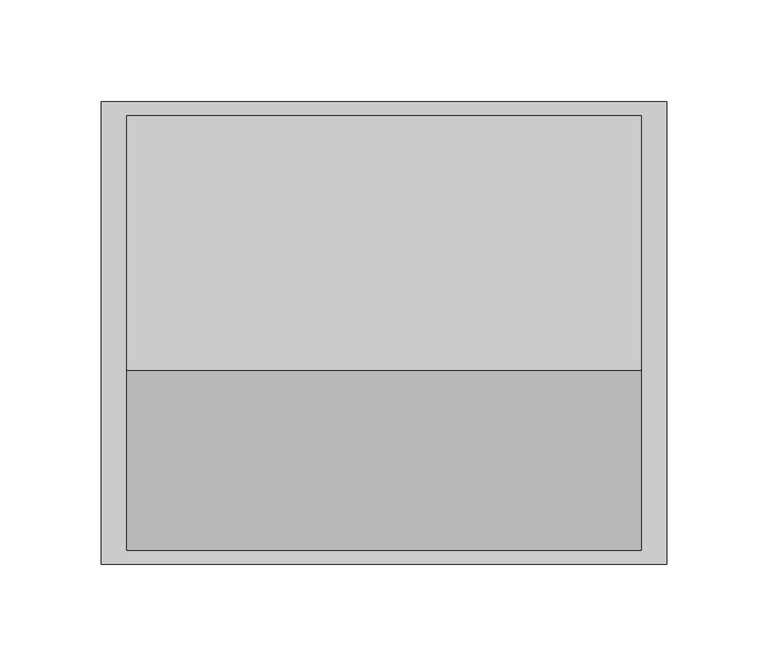
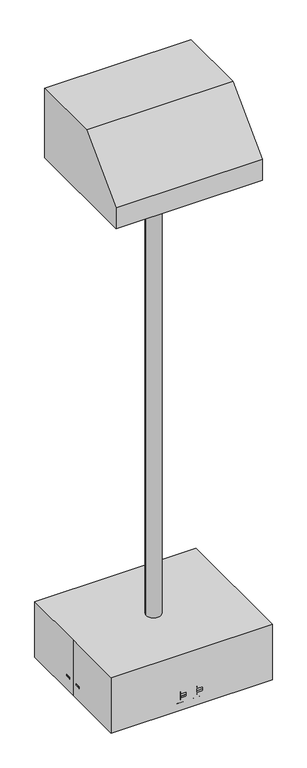
"""IFC4 building model written with IfcOpenShell, lengths in millimetres: proxy geometry."""

from ifc_helpers import new_model, si_unit, point, frame, frame_2d, origin, origin_with_axes, origin_2d, place, context, project, spatial, polyline, circle_curve, trimmed, segment, composite_curve, outline, extrude, source, transform, mapped, element, save


def specialty_equipment_e29da580(model_context):
    return source(origin(), model_context, "Body", "SweptSolid", [
        extrude(outline(polyline([(9.525, 105.8333333), (9.525, 9.525), (131.2333333, 9.525), (131.2333333, -9.525), (9.525, -9.525), (9.525, -105.8333333), (-9.525, -105.8333333), (-9.525, -9.525), (-131.2333333, -9.525), (-131.2333333, 9.525), (-9.525, 9.525), (-9.525, 105.8333333), (9.525, 105.8333333)])), frame((0.0, 0.0, 50.8), z_axis=(0.0, 0.0, 1.0), x_axis=(1.0, 0.0, 0.0)), (0.0, 0.0, 1.0), 6.35),
        extrude(outline(composite_curve([segment(trimmed(circle_curve(frame_2d((0.0, 80.4333333)), 8.4666667), [point((-8.4666667, 80.4333333))], [point((8.4666667, 80.4333333))], False, "CARTESIAN"), True, "CONTINUOUS"), segment(trimmed(circle_curve(frame_2d((0.0, 80.4333333)), 8.4666667), [point((8.4666667, 80.4333333))], [point((-8.4666667, 80.4333333))], False, "CARTESIAN"), True, "CONTINUOUS")], self_intersect=False)), frame((0.0, 0.0, 25.4), z_axis=(0.0, 0.0, 1.0), x_axis=(1.0, 0.0, 0.0)), (0.0, 0.0, 1.0), 25.4),
        extrude(outline(composite_curve([segment(trimmed(circle_curve(frame_2d((-105.8333333, 0.0)), 8.4666667), [point((-105.8333333, -8.4666667))], [point((-105.8333333, 8.4666667))], False, "CARTESIAN"), True, "CONTINUOUS"), segment(trimmed(circle_curve(frame_2d((-105.8333333, 0.0)), 8.4666667), [point((-105.8333333, 8.4666667))], [point((-105.8333333, -8.4666667))], False, "CARTESIAN"), True, "CONTINUOUS")], self_intersect=False)), frame((0.0, 0.0, 25.4), z_axis=(0.0, 0.0, 1.0), x_axis=(1.0, 0.0, 0.0)), (0.0, 0.0, 1.0), 25.4),
        extrude(outline(composite_curve([segment(trimmed(circle_curve(frame_2d((0.0, -80.4333333)), 8.4666667), [point((8.4666667, -80.4333333))], [point((-8.4666667, -80.4333333))], False, "CARTESIAN"), True, "CONTINUOUS"), segment(trimmed(circle_curve(frame_2d((0.0, -80.4333333)), 8.4666667), [point((-8.4666667, -80.4333333))], [point((8.4666667, -80.4333333))], False, "CARTESIAN"), True, "CONTINUOUS")], self_intersect=False)), frame((0.0, 0.0, 25.4), z_axis=(0.0, 0.0, 1.0), x_axis=(1.0, 0.0, 0.0)), (0.0, 0.0, 1.0), 25.4),
        extrude(outline(composite_curve([segment(trimmed(circle_curve(frame_2d((105.8333333, 0.0)), 8.4666667), [point((105.8333333, 8.4666667))], [point((105.8333333, -8.4666667))], False, "CARTESIAN"), True, "CONTINUOUS"), segment(trimmed(circle_curve(frame_2d((105.8333333, 0.0)), 8.4666667), [point((105.8333333, -8.4666667))], [point((105.8333333, 8.4666667))], False, "CARTESIAN"), True, "CONTINUOUS")], self_intersect=False)), frame((0.0, 0.0, 25.4), z_axis=(0.0, 0.0, 1.0), x_axis=(1.0, 0.0, 0.0)), (0.0, 0.0, 1.0), 25.4),
        extrude(outline(polyline([(107.1804381, 914.4), (-107.4815465, 914.4), (-107.4815465, 952.5), (-18.5815465, 1041.4), (107.1804381, 1041.4), (107.1804381, 914.4)])), frame((-127.0, 0.0, 0.0), z_axis=(1.0, 0.0, 0.0), x_axis=(0.0, 1.0, 0.0)), (0.0, 0.0, 1.0), 254.0),
        extrude(outline(composite_curve([segment(trimmed(circle_curve(frame_2d((25.4, -114.3)), 25.4), [point((25.4, -139.7))], [point((25.4, -88.9))], False, "CARTESIAN"), True, "CONTINUOUS"), segment(trimmed(circle_curve(frame_2d((25.4, -114.3)), 25.4), [point((25.4, -88.9))], [point((25.4, -139.7))], False, "CARTESIAN"), True, "CONTINUOUS")], self_intersect=False)), frame((0.0, 9.525, 0.0), z_axis=(0.0, 1.0, 0.0), x_axis=(0.0, 0.0, 1.0)), (0.0, 0.0, 1.0), 9.525),
        extrude(outline(composite_curve([segment(trimmed(circle_curve(frame_2d((25.4, -114.3)), 25.4), [point((25.4, -88.9))], [point((25.4, -139.7))], False, "CARTESIAN"), True, "CONTINUOUS"), segment(trimmed(circle_curve(frame_2d((25.4, -114.3)), 25.4), [point((25.4, -139.7))], [point((25.4, -88.9))], False, "CARTESIAN"), True, "CONTINUOUS")], self_intersect=False)), frame((0.0, -19.05, 0.0), z_axis=(0.0, 1.0, 0.0), x_axis=(0.0, 0.0, 1.0)), (0.0, 0.0, 1.0), 9.525),
        extrude(outline(composite_curve([segment(trimmed(circle_curve(frame_2d((88.9, 25.4)), 25.4), [point((114.3, 25.4))], [point((63.5, 25.4))], False, "CARTESIAN"), True, "CONTINUOUS"), segment(trimmed(circle_curve(frame_2d((88.9, 25.4)), 25.4), [point((63.5, 25.4))], [point((114.3, 25.4))], False, "CARTESIAN"), True, "CONTINUOUS")], self_intersect=False)), frame((9.525, 0.0, 0.0), z_axis=(1.0, 0.0, 0.0), x_axis=(0.0, 1.0, 0.0)), (0.0, 0.0, 1.0), 9.525),
        extrude(outline(composite_curve([segment(trimmed(circle_curve(frame_2d((88.9, 25.4)), 25.4), [point((63.5, 25.4))], [point((114.3, 25.4))], False, "CARTESIAN"), True, "CONTINUOUS"), segment(trimmed(circle_curve(frame_2d((88.9, 25.4)), 25.4), [point((114.3, 25.4))], [point((63.5, 25.4))], False, "CARTESIAN"), True, "CONTINUOUS")], self_intersect=False)), frame((-19.05, 0.0, 0.0), z_axis=(1.0, 0.0, 0.0), x_axis=(0.0, 1.0, 0.0)), (0.0, 0.0, 1.0), 9.525),
        extrude(outline(composite_curve([segment(trimmed(circle_curve(frame_2d((25.4, 114.3)), 25.4), [point((25.4, 88.9))], [point((25.4, 139.7))], False, "CARTESIAN"), True, "CONTINUOUS"), segment(trimmed(circle_curve(frame_2d((25.4, 114.3)), 25.4), [point((25.4, 139.7))], [point((25.4, 88.9))], False, "CARTESIAN"), True, "CONTINUOUS")], self_intersect=False)), frame((0.0, -19.05, 0.0), z_axis=(0.0, 1.0, 0.0), x_axis=(0.0, 0.0, 1.0)), (0.0, 0.0, 1.0), 9.525),
        extrude(outline(composite_curve([segment(trimmed(circle_curve(frame_2d((25.4, 114.3)), 25.4), [point((25.4, 88.9))], [point((25.4, 139.7))], False, "CARTESIAN"), True, "CONTINUOUS"), segment(trimmed(circle_curve(frame_2d((25.4, 114.3)), 25.4), [point((25.4, 139.7))], [point((25.4, 88.9))], False, "CARTESIAN"), True, "CONTINUOUS")], self_intersect=False)), frame((0.0, 9.525, 0.0), z_axis=(0.0, 1.0, 0.0), x_axis=(0.0, 0.0, 1.0)), (0.0, 0.0, 1.0), 9.525),
        extrude(outline(composite_curve([segment(trimmed(circle_curve(frame_2d((88.9, 25.4)), 16.9333333), [point((71.9666667, 25.4))], [point((105.8333333, 25.4))], False, "CARTESIAN"), True, "CONTINUOUS"), segment(trimmed(circle_curve(frame_2d((88.9, 25.4)), 16.9333333), [point((105.8333333, 25.4))], [point((71.9666667, 25.4))], False, "CARTESIAN"), True, "CONTINUOUS")], self_intersect=False)), frame((-9.525, 0.0, 0.0), z_axis=(1.0, 0.0, 0.0), x_axis=(0.0, 1.0, 0.0)), (0.0, 0.0, 1.0), 19.05),
        extrude(outline(composite_curve([segment(trimmed(circle_curve(frame_2d((25.4, 114.3)), 16.9333333), [point((25.4, 97.3666667))], [point((25.4, 131.2333333))], False, "CARTESIAN"), True, "CONTINUOUS"), segment(trimmed(circle_curve(frame_2d((25.4, 114.3)), 16.9333333), [point((25.4, 131.2333333))], [point((25.4, 97.3666667))], False, "CARTESIAN"), True, "CONTINUOUS")], self_intersect=False)), frame((0.0, -9.525, 0.0), z_axis=(0.0, 1.0, 0.0), x_axis=(0.0, 0.0, 1.0)), (0.0, 0.0, 1.0), 19.05),
        extrude(outline(composite_curve([segment(trimmed(circle_curve(frame_2d((25.4, -114.3)), 16.9333333), [point((25.4, -97.3666667))], [point((25.4, -131.2333333))], False, "CARTESIAN"), True, "CONTINUOUS"), segment(trimmed(circle_curve(frame_2d((25.4, -114.3)), 16.9333333), [point((25.4, -131.2333333))], [point((25.4, -97.3666667))], False, "CARTESIAN"), True, "CONTINUOUS")], self_intersect=False)), frame((0.0, -9.525, 0.0), z_axis=(0.0, 1.0, 0.0), x_axis=(0.0, 0.0, 1.0)), (0.0, 0.0, 1.0), 19.05),
        extrude(outline(composite_curve([segment(trimmed(circle_curve(frame_2d((-88.9, 25.4)), 25.4), [point((-63.5, 25.4))], [point((-114.3, 25.4))], False, "CARTESIAN"), True, "CONTINUOUS"), segment(trimmed(circle_curve(frame_2d((-88.9, 25.4)), 25.4), [point((-114.3, 25.4))], [point((-63.5, 25.4))], False, "CARTESIAN"), True, "CONTINUOUS")], self_intersect=False)), frame((-19.05, 0.0, 0.0), z_axis=(1.0, 0.0, 0.0), x_axis=(0.0, 1.0, 0.0)), (0.0, 0.0, 1.0), 9.525),
        extrude(outline(composite_curve([segment(trimmed(circle_curve(frame_2d((-88.9, 25.4)), 25.4), [point((-63.5, 25.4))], [point((-114.3, 25.4))], False, "CARTESIAN"), True, "CONTINUOUS"), segment(trimmed(circle_curve(frame_2d((-88.9, 25.4)), 25.4), [point((-114.3, 25.4))], [point((-63.5, 25.4))], False, "CARTESIAN"), True, "CONTINUOUS")], self_intersect=False)), frame((9.525, 0.0, 0.0), z_axis=(1.0, 0.0, 0.0), x_axis=(0.0, 1.0, 0.0)), (0.0, 0.0, 1.0), 9.525),
        extrude(outline(composite_curve([segment(trimmed(circle_curve(frame_2d((-88.9, 25.4)), 16.9333333), [point((-71.9666667, 25.4))], [point((-105.8333333, 25.4))], False, "CARTESIAN"), True, "CONTINUOUS"), segment(trimmed(circle_curve(frame_2d((-88.9, 25.4)), 16.9333333), [point((-105.8333333, 25.4))], [point((-71.9666667, 25.4))], False, "CARTESIAN"), True, "CONTINUOUS")], self_intersect=False)), frame((-9.525, 0.0, 0.0), z_axis=(1.0, 0.0, 0.0), x_axis=(0.0, 1.0, 0.0)), (0.0, 0.0, 1.0), 19.05),
        extrude(outline(composite_curve([segment(trimmed(circle_curve(origin_2d(), 12.7), [point((-12.7, 0.0))], [point((12.7, 0.0))], False, "CARTESIAN"), True, "CONTINUOUS"), segment(trimmed(circle_curve(origin_2d(), 12.7), [point((12.7, 0.0))], [point((-12.7, 0.0))], False, "CARTESIAN"), True, "CONTINUOUS")], self_intersect=False)), frame((0.0, 0.0, 57.15), z_axis=(0.0, 0.0, 1.0), x_axis=(1.0, 0.0, 0.0)), (0.0, 0.0, 1.0), 857.25),
        extrude(outline(polyline([(-139.7, 114.3), (139.7, 114.3), (139.7, -114.3), (-139.7, -114.3), (-139.7, 0.0), (-139.7, 114.3)])), origin_with_axes(), (0.0, 0.0, 1.0), 101.6),
    ])


if __name__ == "__main__":
    model = new_model("IFC4")
    model_context = context("Model", 3, world=origin())
    ifc_project = project(units=[si_unit("LENGTHUNIT", "METRE", prefix="MILLI")], contexts=[model_context])
    site = spatial("IfcSite", under=ifc_project)
    building = spatial("IfcBuilding", under=site)
    placement = place(None, origin())
    specialty_equipment_shape = specialty_equipment_e29da580(model_context)
    element("IfcBuildingElementProxy", 1, Name="Specialty Equipment", at=placement, inside=building, context=model_context, shape_type="MappedRepresentation", body=[
        mapped(specialty_equipment_shape, transform((0.0, 0.0, 0.0), x_axis=(1.0, 0.0, 0.0), y_axis=(0.0, 1.0, 0.0), z_axis=(0.0, 0.0, 1.0))),
    ])
    save(model, "model.ifc")
